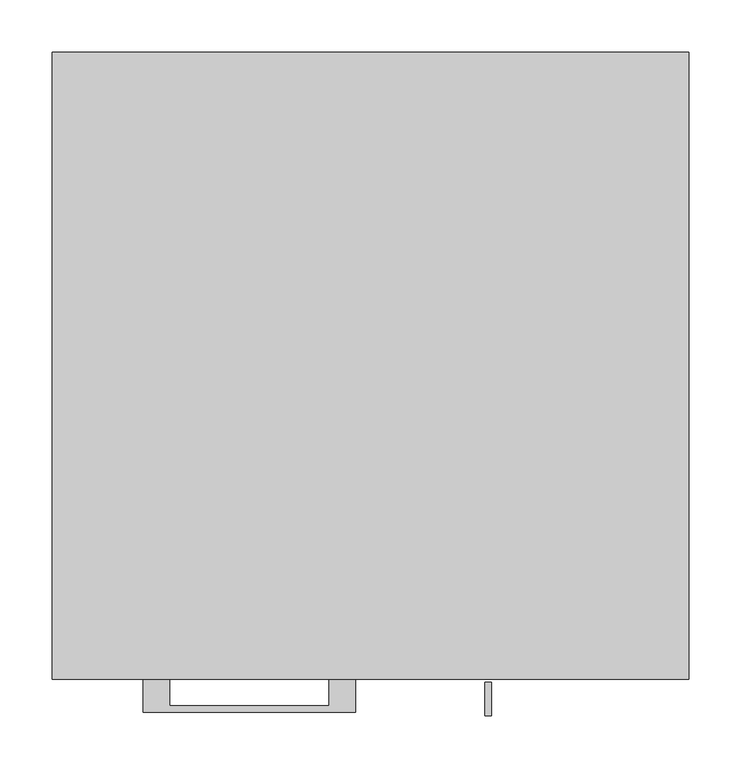
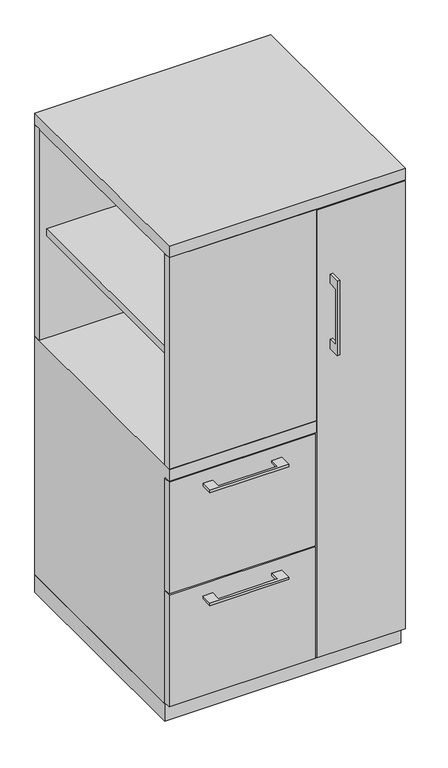
"""IFC4 building model written with IfcOpenShell, lengths in millimetres: furniture geometry."""

from ifc_helpers import new_model, si_unit, frame, origin, origin_with_axes, place, context, project, spatial, polyline, outline, extrude, faceted_brep, source, transform, mapped, element, save


def furniture_197a49aa(model_context):
    return source(origin(), model_context, "Body", "SolidModel", [
        extrude(outline(polyline([(57.15, -581.025), (-285.75, -581.025), (-285.75, -19.05), (57.15, -19.05), (57.15, -581.025)])), frame((0.0, 0.0, 977.9), z_axis=(0.0, 0.0, 1.0), x_axis=(1.0, 0.0, 0.0)), (0.0, 0.0, 1.0), 19.05),
        extrude(outline(polyline([(-192.0874818, -600.075), (-192.0874818, -625.4749758), (-39.6875, -625.4749758), (-39.6875, -600.075), (-14.2875061, -600.075), (-14.2875061, -631.8249879), (-217.4874939, -631.8249879), (-217.4874939, -600.075), (-192.0874818, -600.075)])), frame((0.0, 0.0, 623.8875506), z_axis=(0.0, 0.0, 1.0), x_axis=(1.0, 0.0, 0.0)), (0.0, 0.0, 1.0), 6.3499758),
        extrude(outline(polyline([(73.025, -581.025), (73.025, -600.075), (-304.8, -600.075), (-304.8, -581.025), (73.025, -581.025)])), frame((0.0, 0.0, 358.775), z_axis=(0.0, 0.0, 1.0), x_axis=(1.0, 0.0, 0.0)), (0.0, 0.0, 1.0), 304.8),
        extrude(outline(polyline([(-603.25, 1063.625), (-628.6499758, 1063.625), (-628.6499758, 911.225), (-603.25, 911.225), (-603.25, 885.825), (-634.9999879, 885.825), (-634.9999879, 1089.025), (-603.25, 1089.025), (-603.25, 1063.625)])), frame((109.5375121, 0.0, 0.0), z_axis=(1.0, 0.0, 0.0), x_axis=(0.0, 1.0, 0.0)), (0.0, 0.0, 1.0), 6.3499758),
        extrude(outline(polyline([(304.8, -600.075), (76.2, -600.075), (76.2, -581.025), (304.8, -581.025), (304.8, -600.075)])), frame((0.0, 0.0, 50.8), z_axis=(0.0, 0.0, 1.0), x_axis=(1.0, 0.0, 0.0)), (0.0, 0.0, 1.0), 1222.375),
        extrude(outline(polyline([(-192.0874818, -600.075), (-192.0874818, -625.4749758), (-39.6875, -625.4749758), (-39.6875, -600.075), (-14.2875061, -600.075), (-14.2875061, -631.8249879), (-217.4874939, -631.8249879), (-217.4874939, -600.075), (-192.0874818, -600.075)])), frame((0.0, 0.0, 315.9125506), z_axis=(0.0, 0.0, 1.0), x_axis=(1.0, 0.0, 0.0)), (0.0, 0.0, 1.0), 6.3499758),
        extrude(outline(polyline([(73.025, -581.025), (73.025, -600.075), (-304.8, -600.075), (-304.8, -581.025), (73.025, -581.025)])), frame((0.0, 0.0, 50.8), z_axis=(0.0, 0.0, 1.0), x_axis=(1.0, 0.0, 0.0)), (0.0, 0.0, 1.0), 304.8),
        faceted_brep([(-304.8, -581.025, 47.625), (-304.8, 0.0, 47.625), (76.2, 0.0, 47.625), (76.2, -581.025, 47.625), (-304.8, 0.0, 698.5), (76.2, 0.0, 698.5), (-304.8, -581.025, 666.75), (-304.8, -600.075, 666.75), (-304.8, -600.075, 698.5), (76.2, -581.025, 666.75), (57.15, -581.025, 666.75), (76.2, -581.025, 1276.35), (57.15, -581.025, 1276.35), (57.15, -581.025, 698.5), (76.2, -581.025, 698.5), (76.2, -19.05, 698.5), (76.2, -19.05, 1276.35), (76.2, -600.075, 698.5), (76.2, -600.075, 666.75), (57.15, -19.05, 1276.35), (57.15, -19.05, 698.5)], [[[0, 1, 2, 3]], [[2, 1, 4, 5]], [[4, 1, 0, 6, 7, 8]], [[6, 0, 3, 9, 10]], [[11, 12, 13, 14]], [[2, 5, 15, 16, 11, 14, 17, 18, 9, 3]], [[16, 19, 12, 11]], [[19, 16, 15, 20]], [[12, 19, 20, 13]], [[5, 4, 8, 17, 14, 13, 20, 15]], [[18, 7, 6, 10, 9]], [[17, 8, 7, 18]]]),
        extrude(outline(polyline([(76.2, 0.0), (76.2, -19.05), (-304.8, -19.05), (-304.8, 0.0), (76.2, 0.0)])), frame((0.0, 0.0, 698.5), z_axis=(0.0, 0.0, 1.0), x_axis=(1.0, 0.0, 0.0)), (0.0, 0.0, 1.0), 577.85),
        extrude(outline(polyline([(76.2, -600.075), (-304.8, -600.075), (-304.8, -581.025), (76.2, -581.025), (76.2, -600.075)])), frame((0.0, 0.0, 698.5), z_axis=(0.0, 0.0, 1.0), x_axis=(1.0, 0.0, 0.0)), (0.0, 0.0, 1.0), 577.85),
        extrude(outline(polyline([(304.8, 0.0), (304.8, -581.025), (285.75, -581.025), (285.75, -19.05), (76.2, -19.05), (76.2, 0.0), (304.8, 0.0)])), frame((0.0, 0.0, 47.625), z_axis=(0.0, 0.0, 1.0), x_axis=(1.0, 0.0, 0.0)), (0.0, 0.0, 1.0), 1228.725),
        extrude(outline(polyline([(304.8, 0.0), (304.8, -600.075), (-304.8, -600.075), (-304.8, 0.0), (304.8, 0.0)])), frame((0.0, 0.0, 1276.35), z_axis=(0.0, 0.0, 1.0), x_axis=(1.0, 0.0, 0.0)), (0.0, 0.0, 1.0), 31.75),
        extrude(outline(polyline([(304.8, 0.0), (304.8, -581.025), (-304.8, -581.025), (-304.8, 0.0), (304.8, 0.0)])), origin_with_axes(), (0.0, 0.0, 1.0), 47.625),
    ])


if __name__ == "__main__":
    model = new_model("IFC4")
    model_context = context("Model", 3, world=origin())
    ifc_project = project(units=[si_unit("LENGTHUNIT", "METRE", prefix="MILLI")], contexts=[model_context])
    site = spatial("IfcSite", under=ifc_project)
    building = spatial("IfcBuilding", under=site)
    placement = place(None, origin())
    furniture_shape = furniture_197a49aa(model_context)
    element("IfcFurniture", 1, at=placement, inside=building, context=model_context, shape_type="MappedRepresentation", body=[
        mapped(furniture_shape, transform((0.0, 0.0, 0.0), x_axis=(1.0, 0.0, 0.0), y_axis=(0.0, 1.0, 0.0), z_axis=(0.0, 0.0, 1.0))),
    ])
    save(model, "model.ifc")
